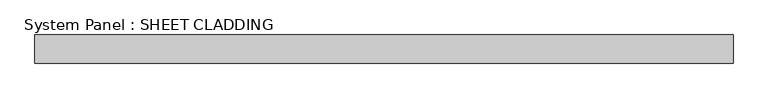
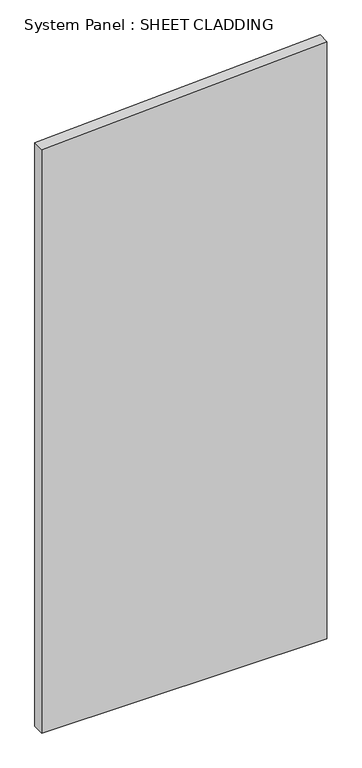
"""IFC4 building model written with IfcOpenShell, lengths in millimetres: plate geometry, System Panel : SHEET CLADDING."""

from ifc_helpers import new_model, si_unit, frame, origin, place, context, project, spatial, polyline, outline, extrude, source, transform, mapped, element, save


def system_panel_sheet_cladding_71fb0199(model_context):
    return source(origin(), model_context, "Body", "SweptSolid", [
        extrude(outline(polyline([(0.0, -735.4591837), (0.0, 735.4591837), (3255.7377551, 735.4591837), (3182.1918367, -735.4591837), (0.0, -735.4591837)])), frame((0.0, -10.5, 0.0), z_axis=(0.0, 1.0, 0.0), x_axis=(0.0, 0.0, 1.0)), (0.0, 0.0, 1.0), 60.0),
    ])


if __name__ == "__main__":
    model = new_model("IFC4")
    model_context = context("Model", 3, world=origin())
    ifc_project = project(units=[si_unit("LENGTHUNIT", "METRE", prefix="MILLI")], contexts=[model_context])
    site = spatial("IfcSite", under=ifc_project)
    building = spatial("IfcBuilding", under=site)
    placement = place(None, origin())
    system_panel_sheet_cladding_shape = system_panel_sheet_cladding_71fb0199(model_context)
    element("IfcPlate", 1, ObjectType="System Panel : SHEET CLADDING", at=placement, inside=building, context=model_context, shape_type="MappedRepresentation", body=[
        mapped(system_panel_sheet_cladding_shape, transform((0.0, 0.0, 0.0), x_axis=(1.0, 0.0, 0.0), y_axis=(0.0, 1.0, 0.0), z_axis=(0.0, 0.0, 1.0))),
    ])
    save(model, "model.ifc")
